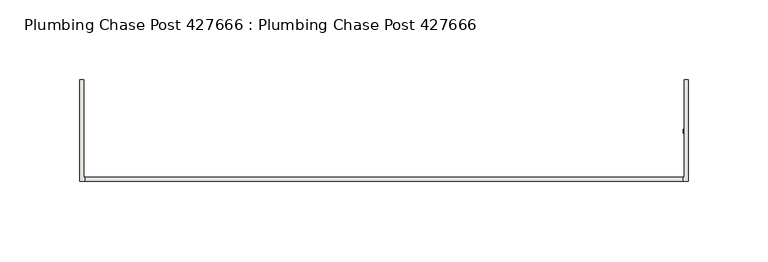
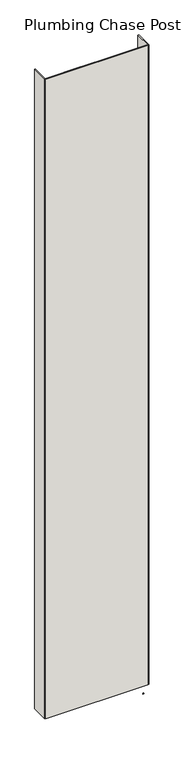
"""IFC4 building model written with IfcOpenShell, lengths in millimetres: wall geometry, Plumbing Chase Post 427666 : Plumbing Chase Post 427666."""

import ifcopenshell
import ifcopenshell.guid

model = None  # the IFC model being written
_history = None  # IfcOwnerHistory: only IFC2X3 demands one
_inside = {}  # id of a spatial element -> (the spatial element, [elements in it])
_under = {}  # id of a project, library or spatial element -> (it, [spatial elements below it])
_declared = {}  # id of a project -> (the project, [libraries it declares])
_typed = {}  # id of a type object -> (the type object, [elements of that type])
_made_of = {}  # id of a material, layer set ... -> (it, [elements and type objects made of it])


def new_model(schema):
    """Start an empty IFC model of exactly this schema.

    Asked for "IFC4X3", IfcOpenShell would pick the latest addendum, in which some entities
    have other attributes; the version numbers below select the first issue.
    IFC2X3 requires an IfcOwnerHistory on every rooted entity: one is made here for all.
    """
    global model, _history
    if schema == "IFC4X3":
        model = ifcopenshell.file(schema_version=(4, 3, 0, 0))
    else:
        model = ifcopenshell.file(schema=schema)
    _inside.clear()
    _under.clear()
    _declared.clear()
    _typed.clear()
    _made_of.clear()
    _history = None
    if model.schema == "IFC2X3":
        org = make("IfcOrganization", Name="unknown")
        user = make(
            "IfcPersonAndOrganization",
            ThePerson=make("IfcPerson", FamilyName="unknown"),
            TheOrganization=org,
        )
        app = make(
            "IfcApplication",
            ApplicationDeveloper=org,
            Version="unknown",
            ApplicationFullName="unknown",
            ApplicationIdentifier="unknown",
        )
        _history = make(
            "IfcOwnerHistory",
            OwningUser=user,
            OwningApplication=app,
            ChangeAction="ADDED",
            CreationDate=0,
        )
    return model


def make(cls, **values):
    """One entity of the class cls with the attributes given. An attribute that is None is left unset."""
    return model.create_entity(
        cls, **{name: value for name, value in values.items() if value is not None}
    )


def rooted(cls, **values):
    """An entity with a GlobalId (a new one), such as an element, a storey or a relation."""
    return make(cls, GlobalId=ifcopenshell.guid.new(), OwnerHistory=_history, **values)


def si_unit(unit_type, name, prefix=None):
    """IfcSIUnit, for example si_unit("LENGTHUNIT", "METRE", prefix="MILLI")."""
    return make("IfcSIUnit", UnitType=unit_type, Prefix=prefix, Name=name)


def assignment(units):
    """IfcUnitAssignment: the units of a project."""
    return None if units is None else make("IfcUnitAssignment", Units=units)


def point(xyz):
    """IfcCartesianPoint."""
    return None if xyz is None else make("IfcCartesianPoint", Coordinates=xyz)


def direction(xyz):
    """IfcDirection."""
    return None if xyz is None else make("IfcDirection", DirectionRatios=xyz)


def frame(location, z_axis=None, x_axis=None):
    """IfcAxis2Placement3D, a coordinate frame: its origin and axes. An axis left out is left unset."""
    return make(
        "IfcAxis2Placement3D",
        Location=point(location),
        Axis=direction(z_axis),
        RefDirection=direction(x_axis),
    )


def origin():
    """The frame at (0, 0, 0) with its axes left unset."""
    return frame((0.0, 0.0, 0.0))


def place(relative_to, where):
    """IfcLocalPlacement: puts the frame where relative to a parent placement (None: the world)."""
    return make(
        "IfcLocalPlacement", PlacementRelTo=relative_to, RelativePlacement=where
    )


def context(
    kind, dimensions, precision=None, world=None, true_north=None, identifier=None
):
    """IfcGeometricRepresentationContext, for example the 3D "Model" context."""
    return make(
        "IfcGeometricRepresentationContext",
        ContextIdentifier=identifier,
        ContextType=kind,
        CoordinateSpaceDimension=dimensions,
        Precision=precision,
        WorldCoordinateSystem=world,
        TrueNorth=true_north,
    )


def project(units=None, contexts=None):
    """IfcProject with its units and contexts."""
    return rooted(
        "IfcProject",
        Name="project",
        RepresentationContexts=contexts,
        UnitsInContext=assignment(units),
    )


def spatial(cls, under=None, at=None, **own):
    """A site, building, storey or space (cls), placed at a placement, below another one or the project."""
    s = rooted(cls, ObjectPlacement=at, **own)
    if under is not None:
        _under.setdefault(under.id(), (under, []))[1].append(s)
    return s


def polyline(points):
    """IfcPolyline through the points."""
    return make("IfcPolyline", Points=[point(p) for p in points])


def outline(outer, holes=None, kind="AREA"):
    """IfcArbitraryClosedProfileDef: a profile drawn as a closed curve; with holes, ...WithVoids."""
    if holes is None:
        return make("IfcArbitraryClosedProfileDef", ProfileType=kind, OuterCurve=outer)
    return make(
        "IfcArbitraryProfileDefWithVoids",
        ProfileType=kind,
        OuterCurve=outer,
        InnerCurves=holes,
    )


def extrude(swept, where, along, depth):
    """IfcExtrudedAreaSolid: the profile swept, set in the frame where, extruded along a direction by depth."""
    return make(
        "IfcExtrudedAreaSolid",
        SweptArea=swept,
        Position=where,
        ExtrudedDirection=direction(along),
        Depth=depth,
    )


def shape(context_of_items, identifier, shape_type, items):
    """IfcShapeRepresentation: the items that make up one representation, for example the "Body"."""
    return make(
        "IfcShapeRepresentation",
        ContextOfItems=context_of_items,
        RepresentationIdentifier=identifier,
        RepresentationType=shape_type,
        Items=items,
    )


def source(mapping_origin, context_of_items, identifier, shape_type, items):
    """IfcRepresentationMap: a shape defined once, which mapped items show again and again."""
    return make(
        "IfcRepresentationMap",
        MappingOrigin=mapping_origin,
        MappedRepresentation=shape(context_of_items, identifier, shape_type, items),
    )


def transform(
    local_origin,
    x_axis=None,
    y_axis=None,
    z_axis=None,
    scale=None,
    scale2=None,
    scale3=None,
    uniform=True,
):
    """IfcCartesianTransformationOperator3D, or its non-uniform kind. x_axis, y_axis, z_axis: its Axis1, 2, 3."""
    if uniform:
        return make(
            "IfcCartesianTransformationOperator3D",
            Axis1=direction(x_axis),
            Axis2=direction(y_axis),
            LocalOrigin=point(local_origin),
            Scale=scale,
            Axis3=direction(z_axis),
        )
    return make(
        "IfcCartesianTransformationOperator3DnonUniform",
        Axis1=direction(x_axis),
        Axis2=direction(y_axis),
        LocalOrigin=point(local_origin),
        Scale=scale,
        Axis3=direction(z_axis),
        Scale2=scale2,
        Scale3=scale3,
    )


def mapped(mapping_source, mapping_target):
    """IfcMappedItem: shows the shape of a source again, moved by a transform."""
    return make(
        "IfcMappedItem", MappingSource=mapping_source, MappingTarget=mapping_target
    )


def made_of(thing, what):
    """Note that an element or type object is made of a material, layer set ...; save() writes the relation."""
    if what is not None:
        _made_of.setdefault(what.id(), (what, []))[1].append(thing)
    return thing


def element(
    cls,
    number,
    at=None,
    inside=None,
    cuts=None,
    type_object=None,
    material=None,
    context=None,
    identifier="Body",
    shape_type=None,
    held_by="IfcProductDefinitionShape",
    body=None,
    shapes=None,
    **own,
):
    """One element of the class cls, such as IfcWall. Its Tag is "e" and its number.

    at: its placement. inside: the storey or other place that contains it. cuts: it is an
    opening in that element (IfcRelVoidsElement). A single representation is given by context,
    identifier, shape_type and body (its items); several are given by shapes. held_by: the class
    of the entity that holds the representations. save() writes the other relations.
    """
    e = rooted(cls, Tag="e%d" % number, ObjectPlacement=at, **own)
    if body is not None:
        shapes = [shape(context, identifier, shape_type, body)]
    if shapes is not None:
        e.Representation = make(held_by, Representations=shapes)
    if inside is not None:
        _inside.setdefault(inside.id(), (inside, []))[1].append(e)
    if cuts is not None:
        rooted(
            "IfcRelVoidsElement", RelatingBuildingElement=cuts, RelatedOpeningElement=e
        )
    if type_object is not None:
        _typed.setdefault(type_object.id(), (type_object, []))[1].append(e)
    return made_of(e, material)


def aggregate(whole, parts):
    """IfcRelAggregates: a whole, such as a stair, and the parts it consists of."""
    return rooted("IfcRelAggregates", RelatingObject=whole, RelatedObjects=parts)


def save(model, path):
    """Write the relations noted so far, then the file.

    IfcRelAggregates (storeys below a building ...), IfcRelContainedInSpatialStructure (elements
    in a storey), IfcRelDefinesByType, IfcRelAssociatesMaterial and IfcRelDeclares: one each for
    every whole, place, type object, material and project.
    """
    for whole, parts in _under.values():
        aggregate(whole, parts)
    for where, things in _inside.values():
        rooted(
            "IfcRelContainedInSpatialStructure",
            RelatedElements=things,
            RelatingStructure=where,
        )
    for kind, things in _typed.values():
        rooted("IfcRelDefinesByType", RelatedObjects=things, RelatingType=kind)
    for what, things in _made_of.values():
        rooted("IfcRelAssociatesMaterial", RelatedObjects=things, RelatingMaterial=what)
    for by, libraries in _declared.values():
        rooted("IfcRelDeclares", RelatingContext=by, RelatedDefinitions=libraries)
    model.write(path)


def plumbing_chase_post_427666_plumbing_chase_post_427666_747aae9a(model_context):
    return source(origin(), model_context, "Body", "SweptSolid", [
        extrude(outline(polyline([(68829.9208616, -43072.0636398), (68832.4608616, -43072.0636398), (68832.4608616, -43074.6036398), (68829.9208616, -43074.6036398), (68829.9208616, -43072.0636398)])), frame((0.0, 0.0, 4419.6), z_axis=(0.0, 0.0, 1.0), x_axis=(1.0, 0.0, 0.0)), (0.0, 0.0, 1.0), 2.54),
        extrude(outline(polyline([(68829.7584032, -43105.350289), (68454.1658092, -43105.350289), (68454.1658092, -43102.683797), (68829.7584032, -43102.683797), (68829.7584032, -43105.350289)])), frame((0.0, 0.0, 4474.8958), z_axis=(0.0, 0.0, 1.0), x_axis=(1.0, 0.0, 0.0)), (0.0, 0.0, 1.0), 2481.1482254),
        extrude(outline(polyline([(68829.7584032, -43105.350289), (68454.1658092, -43105.350289), (68454.1658092, -43102.683797), (68829.7584032, -43102.683797), (68829.7584032, -43105.350289)])), frame((0.0, 0.0, 4474.8958), z_axis=(0.0, 0.0, 1.0), x_axis=(1.0, 0.0, 0.0)), (0.0, 0.0, 1.0), 2481.1482254),
        extrude(outline(polyline([(68833.2124476, -43105.350289), (68699.8624476, -43105.350289), (68699.8624476, -43102.683797), (68830.5459556, -43102.683797), (68830.5459556, -43041.3418064), (68833.2124476, -43041.3418064), (68833.2124476, -43105.350289)])), frame((0.0, 0.0, 4474.8958), z_axis=(0.0, 0.0, 1.0), x_axis=(1.0, 0.0, 0.0)), (0.0, 0.0, 1.0), 2481.1482254),
        extrude(outline(polyline([(68833.2124476, -43105.350289), (68699.8624476, -43105.350289), (68699.8624476, -43102.683797), (68830.5459556, -43102.683797), (68830.5459556, -43041.3418064), (68833.2124476, -43041.3418064), (68833.2124476, -43105.350289)])), frame((0.0, 0.0, 4474.8958), z_axis=(0.0, 0.0, 1.0), x_axis=(1.0, 0.0, 0.0)), (0.0, 0.0, 1.0), 2481.1482254),
        extrude(outline(polyline([(68584.0617648, -43102.683797), (68584.0617648, -43105.350289), (68450.7117648, -43105.350289), (68450.7117648, -43041.3418064), (68453.3782822, -43041.3418064), (68453.3782822, -43102.683797), (68584.0617648, -43102.683797)])), frame((0.0, 0.0, 4474.8958), z_axis=(0.0, 0.0, 1.0), x_axis=(1.0, 0.0, 0.0)), (0.0, 0.0, 1.0), 2481.1482254),
        extrude(outline(polyline([(68584.0617648, -43102.683797), (68584.0617648, -43105.350289), (68450.7117648, -43105.350289), (68450.7117648, -43041.3418064), (68453.3782822, -43041.3418064), (68453.3782822, -43102.683797), (68584.0617648, -43102.683797)])), frame((0.0, 0.0, 4474.8958), z_axis=(0.0, 0.0, 1.0), x_axis=(1.0, 0.0, 0.0)), (0.0, 0.0, 1.0), 2481.1482254),
    ])


if __name__ == "__main__":
    model = new_model("IFC4")
    model_context = context("Model", 3, world=origin())
    ifc_project = project(units=[si_unit("LENGTHUNIT", "METRE", prefix="MILLI")], contexts=[model_context])
    site = spatial("IfcSite", under=ifc_project)
    building = spatial("IfcBuilding", under=site)
    placement = place(None, origin())
    plumbing_chase_post_427666_plumbing_chase_post_427666_shape = plumbing_chase_post_427666_plumbing_chase_post_427666_747aae9a(model_context)
    element("IfcWall", 1, ObjectType="Plumbing Chase Post 427666 : Plumbing Chase Post 427666", at=placement, inside=building, context=model_context, shape_type="MappedRepresentation", body=[
        mapped(plumbing_chase_post_427666_plumbing_chase_post_427666_shape, transform((0.0, 0.0, 0.0), x_axis=(1.0, 0.0, 0.0), y_axis=(0.0, 1.0, 0.0), z_axis=(0.0, 0.0, 1.0))),
    ])
    save(model, "model.ifc")
